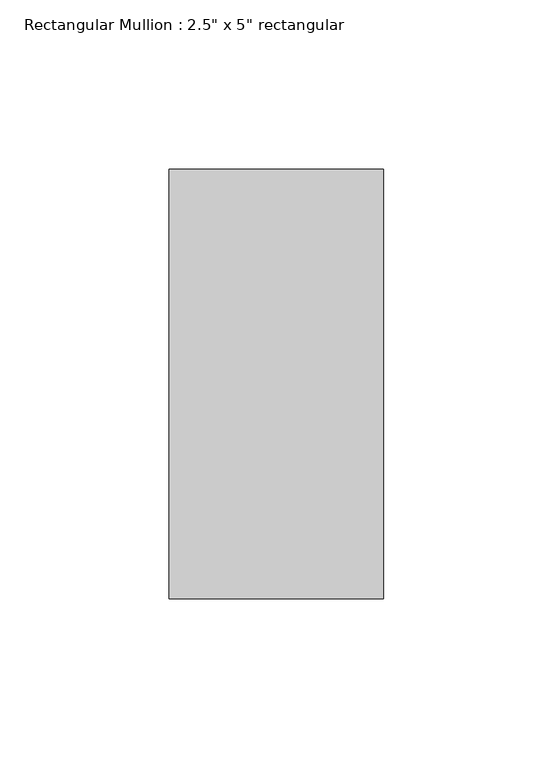
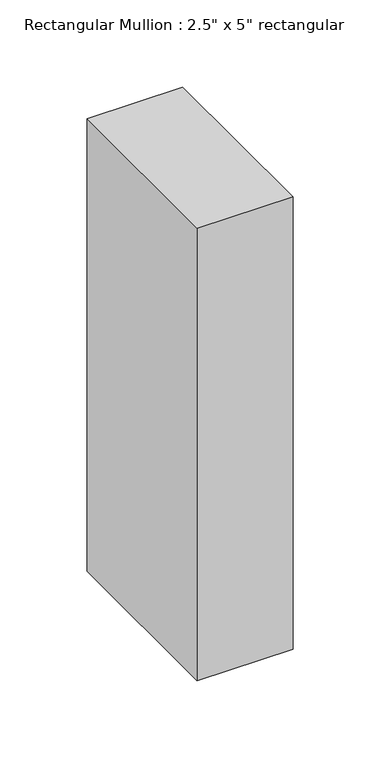
"""IFC4 building model written with IfcOpenShell, lengths in millimetres: member geometry."""

from ifc_helpers import new_model, si_unit, frame, origin, place, context, project, spatial, polyline, outline, extrude, source, transform, mapped, element, save


def member_3060f3e2(model_context):
    return source(origin(), model_context, "Body", "SweptSolid", [
        extrude(outline(polyline([(0.0, 63.5), (0.0, -63.5), (-63.5, -63.5), (-63.5, 63.5), (0.0, 63.5)])), frame((0.0, 0.0, -317.5), z_axis=(0.0, 0.0, 1.0), x_axis=(1.0, 0.0, 0.0)), (0.0, 0.0, 1.0), 317.5),
    ])


if __name__ == "__main__":
    model = new_model("IFC4")
    model_context = context("Model", 3, world=origin())
    ifc_project = project(units=[si_unit("LENGTHUNIT", "METRE", prefix="MILLI")], contexts=[model_context])
    site = spatial("IfcSite", under=ifc_project)
    building = spatial("IfcBuilding", under=site)
    placement = place(None, origin())
    member_shape = member_3060f3e2(model_context)
    element("IfcMember", 1, ObjectType="Rectangular Mullion : 2.5\" x 5\" rectangular", at=placement, inside=building, context=model_context, shape_type="MappedRepresentation", body=[
        mapped(member_shape, transform((0.0, 0.0, 0.0), x_axis=(1.0, 0.0, 0.0), y_axis=(0.0, 1.0, 0.0), z_axis=(0.0, 0.0, 1.0))),
    ])
    save(model, "model.ifc")
